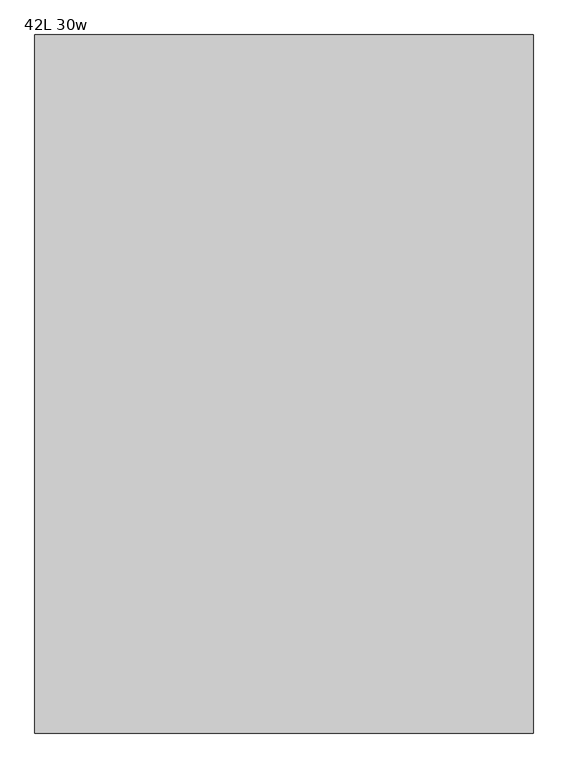
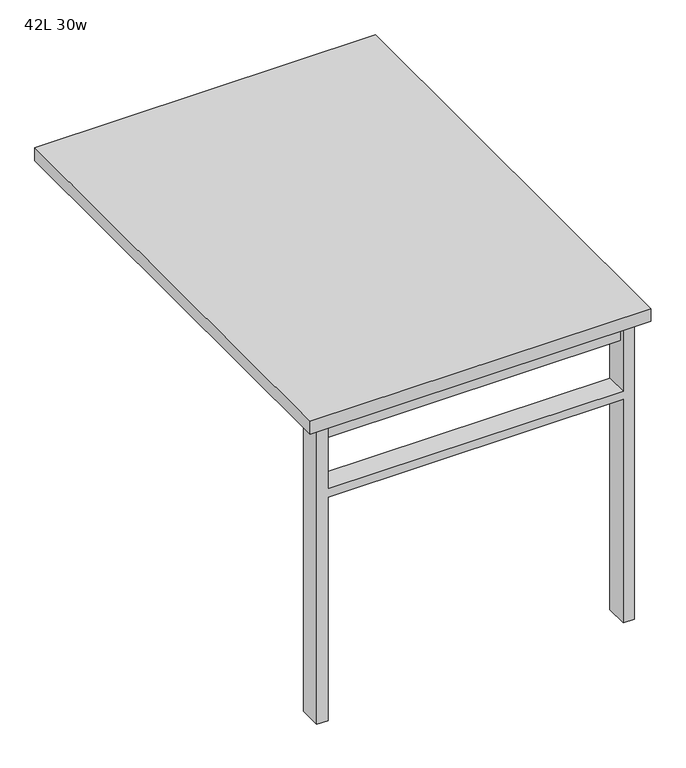
"""IFC4 building model written with IfcOpenShell, lengths in millimetres: furniture geometry, 42L 30w."""

from ifc_helpers import new_model, si_unit, frame, origin, place, context, project, spatial, polyline, outline, extrude, source, transform, mapped, element, save


def furniture_42l_30w_006d4a02(model_context):
    return source(origin(), model_context, "Body", "SweptSolid", [
        extrude(outline(polyline([(-330.2, -473.075), (330.2, -473.075), (330.2, -504.825), (-330.2, -504.825), (-330.2, -473.075)])), frame((0.0, 0.0, 661.9875), z_axis=(0.0, 0.0, 1.0), x_axis=(1.0, 0.0, 0.0)), (0.0, 0.0, 1.0), 44.45),
        extrude(outline(polyline([(528.6375, 330.2), (0.0, 330.2), (0.0, 355.6), (706.4375, 355.6), (706.4375, 330.2), (547.6875, 330.2), (547.6875, -330.2), (706.4375, -330.2), (706.4375, -355.6), (0.0, -355.6), (0.0, -330.2), (528.6375, -330.2), (528.6375, 330.2)])), frame((0.0, -514.35, 0.0), z_axis=(0.0, 1.0, 0.0), x_axis=(0.0, 0.0, 1.0)), (0.0, 0.0, 1.0), 50.8),
        extrude(outline(polyline([(-381.0, -533.4), (-381.0, 533.4), (381.0, 533.4), (381.0, -533.4), (-381.0, -533.4)])), frame((0.0, 0.0, 706.4375), z_axis=(0.0, 0.0, 1.0), x_axis=(1.0, 0.0, 0.0)), (0.0, 0.0, 1.0), 30.1625),
    ])


if __name__ == "__main__":
    model = new_model("IFC4")
    model_context = context("Model", 3, world=origin())
    ifc_project = project(units=[si_unit("LENGTHUNIT", "METRE", prefix="MILLI")], contexts=[model_context])
    site = spatial("IfcSite", under=ifc_project)
    building = spatial("IfcBuilding", under=site)
    placement = place(None, origin())
    furniture_42l_30w_shape = furniture_42l_30w_006d4a02(model_context)
    element("IfcFurniture", 1, ObjectType="42L 30w", at=placement, inside=building, context=model_context, shape_type="MappedRepresentation", body=[
        mapped(furniture_42l_30w_shape, transform((0.0, 0.0, 0.0), x_axis=(1.0, 0.0, 0.0), y_axis=(0.0, 1.0, 0.0), z_axis=(0.0, 0.0, 1.0))),
    ])
    save(model, "model.ifc")
